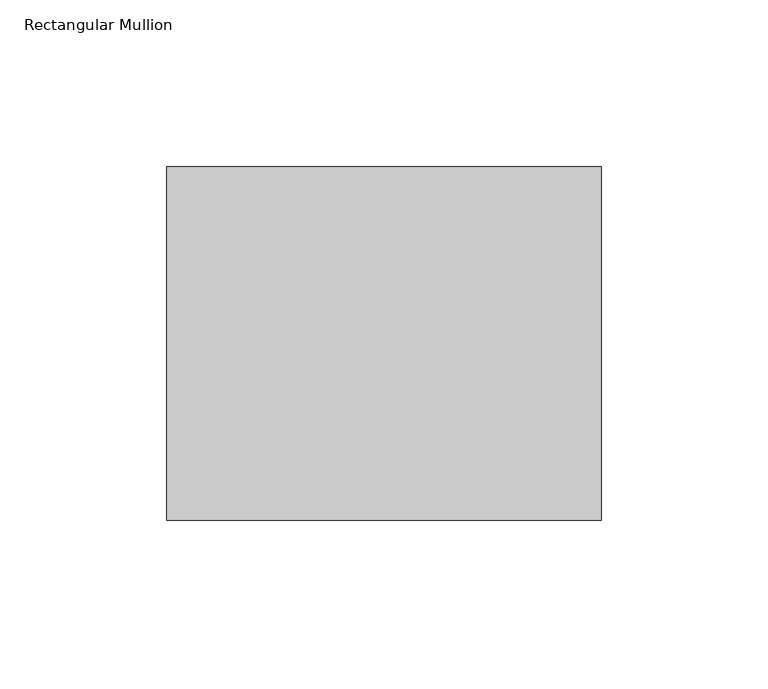
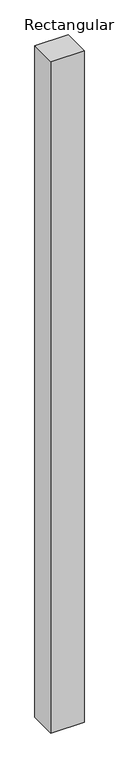
"""IFC4 building model written with IfcOpenShell, lengths in millimetres: member geometry, Rectangular Mullion."""

from ifc_helpers import new_model, si_unit, frame, origin, place, context, project, spatial, polyline, outline, extrude, source, transform, mapped, element, save


def rectangular_mullion_c6d0dd81(model_context):
    return source(origin(), model_context, "Body", "SweptSolid", [
        extrude(outline(polyline([(-130.0, -52.8779994), (-130.0, 52.8779994), (0.0, 52.8779994), (0.0, -52.8779994), (-130.0, -52.8779994)])), frame((0.0, 0.0, -2760.0), z_axis=(0.0, 0.0, 1.0), x_axis=(1.0, 0.0, 0.0)), (0.0, 0.0, 1.0), 2760.0),
    ])


if __name__ == "__main__":
    model = new_model("IFC4")
    model_context = context("Model", 3, world=origin())
    ifc_project = project(units=[si_unit("LENGTHUNIT", "METRE", prefix="MILLI")], contexts=[model_context])
    site = spatial("IfcSite", under=ifc_project)
    building = spatial("IfcBuilding", under=site)
    placement = place(None, origin())
    rectangular_mullion_shape = rectangular_mullion_c6d0dd81(model_context)
    element("IfcMember", 1, ObjectType="Rectangular Mullion", at=placement, inside=building, context=model_context, shape_type="MappedRepresentation", body=[
        mapped(rectangular_mullion_shape, transform((0.0, 0.0, 0.0), x_axis=(1.0, 0.0, 0.0), y_axis=(0.0, 1.0, 0.0), z_axis=(0.0, 0.0, 1.0))),
    ])
    save(model, "model.ifc")
